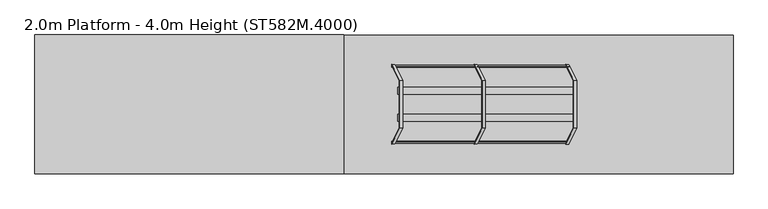
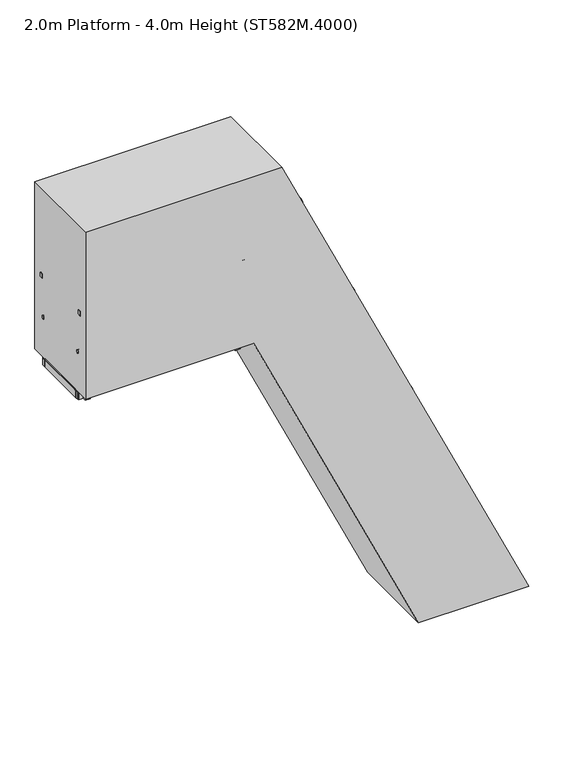
"""IFC4 building model written with IfcOpenShell, lengths in millimetres: proxy geometry, 2.0m Platform - 4.0m Height (ST582M.4000)."""

from ifc_helpers import new_model, si_unit, point, frame, frame_2d, origin, origin_with_axes, place, context, project, spatial, polyline, circle_curve, ellipse_curve, trimmed, segment, composite_curve, outline, extrude, source, transform, mapped, element, save
from ifc_brep_helpers import plane_surface, cylinder_surface, advanced_brep


def proxy_2_0m_platform_4_0m_height_st582m_4000_5fc20dcd(model_context):
    return source(origin(), model_context, "Body", "SolidModel", [
        extrude(outline(polyline([(3750.0, -287.4257396), (3670.0, -250.121132), (3670.0, -139.783335), (3750.0, -177.0879476), (3750.0, -287.4257396)])), frame((0.0, 298.5, 0.0), z_axis=(0.0, 1.0, 0.0), x_axis=(0.0, 0.0, 1.0)), (0.0, 0.0, 1.0), 6.0),
        extrude(outline(polyline([(3750.0, -287.4257396), (3670.0, -250.121132), (3670.0, -139.783335), (3750.0, -177.0879476), (3750.0, -287.4257396)])), frame((0.0, -304.5, 0.0), z_axis=(0.0, 1.0, 0.0), x_axis=(0.0, 0.0, 1.0)), (0.0, 0.0, 1.0), 6.0),
        extrude(outline(polyline([(3750.0, -280.2537833), (3712.0999991, -262.5807251), (3712.0999991, -260.3739693), (3747.0, -276.6481048), (3747.0, -177.8957805), (3712.0999991, -161.6216428), (3712.0999991, -159.414887), (3750.0, -177.0879476), (3750.0, -197.5156888), (3749.2749538, -197.8537833), (3750.0, -198.1918779), (3750.0, -218.1156888), (3749.2749538, -218.4537833), (3750.0, -218.7918779), (3750.0, -238.7156888), (3749.2749538, -239.0537833), (3750.0, -239.3918779), (3750.0, -259.3156888), (3749.2749538, -259.6537833), (3750.0, -259.9918779), (3750.0, -280.2537833)])), frame((0.0, -298.5, 0.0), z_axis=(0.0, 1.0, 0.0), x_axis=(0.0, 0.0, 1.0)), (0.0, 0.0, 1.0), 597.0),
        extrude(outline(polyline([(3500.0, -170.8466911), (3420.0, -133.5420835), (3420.0, -23.2042864), (3500.0, -60.5088991), (3500.0, -170.8466911)])), frame((0.0, 298.5, 0.0), z_axis=(0.0, 1.0, 0.0), x_axis=(0.0, 0.0, 1.0)), (0.0, 0.0, 1.0), 6.0),
        extrude(outline(polyline([(3500.0, -170.8466911), (3420.0, -133.5420835), (3420.0, -23.2042864), (3500.0, -60.5088991), (3500.0, -170.8466911)])), frame((0.0, -304.5, 0.0), z_axis=(0.0, 1.0, 0.0), x_axis=(0.0, 0.0, 1.0)), (0.0, 0.0, 1.0), 6.0),
        extrude(outline(polyline([(3500.0, -163.6747348), (3462.0999991, -146.0016765), (3462.0999991, -143.7949207), (3497.0, -160.0690562), (3497.0, -61.3167319), (3462.0999991, -45.0425943), (3462.0999991, -42.8358384), (3500.0, -60.5088991), (3500.0, -80.9366402), (3499.2749538, -81.2747348), (3500.0, -81.6128293), (3500.0, -101.5366402), (3499.2749538, -101.8747348), (3500.0, -102.2128293), (3500.0, -122.1366402), (3499.2749538, -122.4747348), (3500.0, -122.8128293), (3500.0, -142.7366402), (3499.2749538, -143.0747348), (3500.0, -143.4128293), (3500.0, -163.6747348)])), frame((0.0, -298.5, 0.0), z_axis=(0.0, 1.0, 0.0), x_axis=(0.0, 0.0, 1.0)), (0.0, 0.0, 1.0), 597.0),
        extrude(outline(polyline([(3250.0, -54.2676425), (3170.0, -16.9630349), (3170.0, 93.3747622), (3250.0, 56.0701495), (3250.0, -54.2676425)])), frame((0.0, 298.5, 0.0), z_axis=(0.0, 1.0, 0.0), x_axis=(0.0, 0.0, 1.0)), (0.0, 0.0, 1.0), 6.0),
        extrude(outline(polyline([(3250.0, -54.2676425), (3170.0, -16.9630349), (3170.0, 93.3747622), (3250.0, 56.0701495), (3250.0, -54.2676425)])), frame((0.0, -304.5, 0.0), z_axis=(0.0, 1.0, 0.0), x_axis=(0.0, 0.0, 1.0)), (0.0, 0.0, 1.0), 6.0),
        extrude(outline(polyline([(3250.0, -47.0956862), (3212.0999991, -29.422628), (3212.0999991, -27.2158722), (3247.0, -43.4900077), (3247.0, 55.2623166), (3212.0999991, 71.5364543), (3212.0999991, 73.7432101), (3250.0, 56.0701495), (3250.0, 35.6424083), (3249.2749538, 35.3043138), (3250.0, 34.9662192), (3250.0, 15.0424083), (3249.2749538, 14.7043138), (3250.0, 14.3662192), (3250.0, -5.5575917), (3249.2749538, -5.8956862), (3250.0, -6.2337808), (3250.0, -26.1575917), (3249.2749538, -26.4956862), (3250.0, -26.8337808), (3250.0, -47.0956862)])), frame((0.0, -298.5, 0.0), z_axis=(0.0, 1.0, 0.0), x_axis=(0.0, 0.0, 1.0)), (0.0, 0.0, 1.0), 597.0),
        extrude(outline(polyline([(3000.0, 62.311406), (2920.0, 99.6160136), (2920.0, 209.9538107), (3000.0, 172.6491981), (3000.0, 62.311406)])), frame((0.0, 298.5, 0.0), z_axis=(0.0, 1.0, 0.0), x_axis=(0.0, 0.0, 1.0)), (0.0, 0.0, 1.0), 6.0),
        extrude(outline(polyline([(3000.0, 62.311406), (2920.0, 99.6160136), (2920.0, 209.9538107), (3000.0, 172.6491981), (3000.0, 62.311406)])), frame((0.0, -304.5, 0.0), z_axis=(0.0, 1.0, 0.0), x_axis=(0.0, 0.0, 1.0)), (0.0, 0.0, 1.0), 6.0),
        extrude(outline(polyline([(3000.0, 69.4833623), (2962.0999991, 87.1564206), (2962.0999991, 89.3631764), (2997.0, 73.0890409), (2997.0, 171.8413652), (2962.0999991, 188.1155029), (2962.0999991, 190.3222587), (3000.0, 172.6491981), (3000.0, 152.2214569), (2999.2749538, 151.8833623), (3000.0, 151.5452678), (3000.0, 131.6214569), (2999.2749538, 131.2833623), (3000.0, 130.9452678), (3000.0, 111.0214569), (2999.2749538, 110.6833623), (3000.0, 110.3452678), (3000.0, 90.4214569), (2999.2749538, 90.0833623), (3000.0, 89.7452678), (3000.0, 69.4833623)])), frame((0.0, -298.5, 0.0), z_axis=(0.0, 1.0, 0.0), x_axis=(0.0, 0.0, 1.0)), (0.0, 0.0, 1.0), 597.0),
        extrude(outline(polyline([(2750.0, 178.8904546), (2670.0, 216.1950622), (2670.0, 326.5328593), (2750.0, 289.2282466), (2750.0, 178.8904546)])), frame((0.0, 298.5, 0.0), z_axis=(0.0, 1.0, 0.0), x_axis=(0.0, 0.0, 1.0)), (0.0, 0.0, 1.0), 6.0),
        extrude(outline(polyline([(2750.0, 178.8904546), (2670.0, 216.1950622), (2670.0, 326.5328593), (2750.0, 289.2282466), (2750.0, 178.8904546)])), frame((0.0, -304.5, 0.0), z_axis=(0.0, 1.0, 0.0), x_axis=(0.0, 0.0, 1.0)), (0.0, 0.0, 1.0), 6.0),
        extrude(outline(polyline([(2750.0, 186.0624109), (2712.0999991, 203.7354691), (2712.0999991, 205.9422249), (2747.0, 189.6680895), (2747.0, 288.4204137), (2712.0999991, 304.6945514), (2712.0999991, 306.9013072), (2750.0, 289.2282466), (2750.0, 268.8005055), (2749.2749538, 268.4624109), (2750.0, 268.1243163), (2750.0, 248.2005055), (2749.2749538, 247.8624109), (2750.0, 247.5243163), (2750.0, 227.6005055), (2749.2749538, 227.2624109), (2750.0, 226.9243163), (2750.0, 207.0005055), (2749.2749538, 206.6624109), (2750.0, 206.3243163), (2750.0, 186.0624109)])), frame((0.0, -298.5, 0.0), z_axis=(0.0, 1.0, 0.0), x_axis=(0.0, 0.0, 1.0)), (0.0, 0.0, 1.0), 597.0),
        extrude(outline(polyline([(2500.0, 295.4695031), (2420.0, 332.7741107), (2420.0, 443.1119078), (2500.0, 405.8072952), (2500.0, 295.4695031)])), frame((0.0, 298.5, 0.0), z_axis=(0.0, 1.0, 0.0), x_axis=(0.0, 0.0, 1.0)), (0.0, 0.0, 1.0), 6.0),
        extrude(outline(polyline([(2500.0, 295.4695031), (2420.0, 332.7741107), (2420.0, 443.1119078), (2500.0, 405.8072952), (2500.0, 295.4695031)])), frame((0.0, -304.5, 0.0), z_axis=(0.0, 1.0, 0.0), x_axis=(0.0, 0.0, 1.0)), (0.0, 0.0, 1.0), 6.0),
        extrude(outline(polyline([(2500.0, 302.6414594), (2462.0999991, 320.3145177), (2462.0999991, 322.5212735), (2497.0, 306.247138), (2497.0, 404.9994623), (2462.0999991, 421.2736), (2462.0999991, 423.4803558), (2500.0, 405.8072952), (2500.0, 385.379554), (2499.2749538, 385.0414594), (2500.0, 384.7033649), (2500.0, 364.779554), (2499.2749538, 364.4414594), (2500.0, 364.1033649), (2500.0, 344.179554), (2499.2749538, 343.8414594), (2500.0, 343.5033649), (2500.0, 323.579554), (2499.2749538, 323.2414594), (2500.0, 322.9033649), (2500.0, 302.6414594)])), frame((0.0, -298.5, 0.0), z_axis=(0.0, 1.0, 0.0), x_axis=(0.0, 0.0, 1.0)), (0.0, 0.0, 1.0), 597.0),
        extrude(outline(polyline([(2250.0, 412.0485517), (2170.0, 449.3531593), (2170.0, 559.6909564), (2250.0, 522.3863437), (2250.0, 412.0485517)])), frame((0.0, 298.5, 0.0), z_axis=(0.0, 1.0, 0.0), x_axis=(0.0, 0.0, 1.0)), (0.0, 0.0, 1.0), 6.0),
        extrude(outline(polyline([(2250.0, 412.0485517), (2170.0, 449.3531593), (2170.0, 559.6909564), (2250.0, 522.3863437), (2250.0, 412.0485517)])), frame((0.0, -304.5, 0.0), z_axis=(0.0, 1.0, 0.0), x_axis=(0.0, 0.0, 1.0)), (0.0, 0.0, 1.0), 6.0),
        extrude(outline(polyline([(2250.0, 419.220508), (2212.0999991, 436.8935662), (2212.0999991, 439.100322), (2247.0, 422.8261866), (2247.0, 521.5785109), (2212.0999991, 537.8526485), (2212.0999991, 540.0594044), (2250.0, 522.3863437), (2250.0, 501.9586026), (2249.2749538, 501.620508), (2250.0, 501.2824134), (2250.0, 481.3586026), (2249.2749538, 481.020508), (2250.0, 480.6824134), (2250.0, 460.7586026), (2249.2749538, 460.420508), (2250.0, 460.0824134), (2250.0, 440.1586026), (2249.2749538, 439.820508), (2250.0, 439.4824134), (2250.0, 419.220508)])), frame((0.0, -298.5, 0.0), z_axis=(0.0, 1.0, 0.0), x_axis=(0.0, 0.0, 1.0)), (0.0, 0.0, 1.0), 597.0),
        extrude(outline(polyline([(2000.0, 528.6276002), (1920.0, 565.9322078), (1920.0, 676.2700049), (2000.0, 638.9653923), (2000.0, 528.6276002)])), frame((0.0, 298.5, 0.0), z_axis=(0.0, 1.0, 0.0), x_axis=(0.0, 0.0, 1.0)), (0.0, 0.0, 1.0), 6.0),
        extrude(outline(polyline([(2000.0, 528.6276002), (1920.0, 565.9322078), (1920.0, 676.2700049), (2000.0, 638.9653923), (2000.0, 528.6276002)])), frame((0.0, -304.5, 0.0), z_axis=(0.0, 1.0, 0.0), x_axis=(0.0, 0.0, 1.0)), (0.0, 0.0, 1.0), 6.0),
        extrude(outline(polyline([(2000.0, 535.7995565), (1962.0999991, 553.4726148), (1962.0999991, 555.6793706), (1997.0, 539.4052351), (1997.0, 638.1575594), (1962.0999991, 654.4316971), (1962.0999991, 656.6384529), (2000.0, 638.9653923), (2000.0, 618.5376511), (1999.2749538, 618.1995565), (2000.0, 617.861462), (2000.0, 597.9376511), (1999.2749538, 597.5995565), (2000.0, 597.261462), (2000.0, 577.3376511), (1999.2749538, 576.9995565), (2000.0, 576.661462), (2000.0, 556.7376511), (1999.2749538, 556.3995565), (2000.0, 556.061462), (2000.0, 535.7995565)])), frame((0.0, -298.5, 0.0), z_axis=(0.0, 1.0, 0.0), x_axis=(0.0, 0.0, 1.0)), (0.0, 0.0, 1.0), 597.0),
        extrude(outline(polyline([(1750.0, 645.2066488), (1670.0, 682.5112564), (1670.0, 792.8490535), (1750.0, 755.5444408), (1750.0, 645.2066488)])), frame((0.0, 298.5, 0.0), z_axis=(0.0, 1.0, 0.0), x_axis=(0.0, 0.0, 1.0)), (0.0, 0.0, 1.0), 6.0),
        extrude(outline(polyline([(1750.0, 645.2066488), (1670.0, 682.5112564), (1670.0, 792.8490535), (1750.0, 755.5444408), (1750.0, 645.2066488)])), frame((0.0, -304.5, 0.0), z_axis=(0.0, 1.0, 0.0), x_axis=(0.0, 0.0, 1.0)), (0.0, 0.0, 1.0), 6.0),
        extrude(outline(polyline([(1750.0, 652.3786051), (1712.0999991, 670.0516633), (1712.0999991, 672.2584191), (1747.0, 655.9842837), (1747.0, 754.736608), (1712.0999991, 771.0107456), (1712.0999991, 773.2175015), (1750.0, 755.5444408), (1750.0, 735.1166997), (1749.2749538, 734.7786051), (1750.0, 734.4405105), (1750.0, 714.5166997), (1749.2749538, 714.1786051), (1750.0, 713.8405105), (1750.0, 693.9166997), (1749.2749538, 693.5786051), (1750.0, 693.2405105), (1750.0, 673.3166997), (1749.2749538, 672.9786051), (1750.0, 672.6405105), (1750.0, 652.3786051)])), frame((0.0, -298.5, 0.0), z_axis=(0.0, 1.0, 0.0), x_axis=(0.0, 0.0, 1.0)), (0.0, 0.0, 1.0), 597.0),
        extrude(outline(polyline([(1500.0, 761.7856974), (1420.0, 799.090305), (1420.0, 909.428102), (1500.0, 872.1234894), (1500.0, 761.7856974)])), frame((0.0, 298.5, 0.0), z_axis=(0.0, 1.0, 0.0), x_axis=(0.0, 0.0, 1.0)), (0.0, 0.0, 1.0), 6.0),
        extrude(outline(polyline([(1500.0, 761.7856974), (1420.0, 799.090305), (1420.0, 909.428102), (1500.0, 872.1234894), (1500.0, 761.7856974)])), frame((0.0, -304.5, 0.0), z_axis=(0.0, 1.0, 0.0), x_axis=(0.0, 0.0, 1.0)), (0.0, 0.0, 1.0), 6.0),
        extrude(outline(polyline([(1500.0, 768.9576537), (1462.0999991, 786.6307119), (1462.0999991, 788.8374677), (1497.0, 772.5633322), (1497.0, 871.3156565), (1462.0999991, 887.5897942), (1462.0999991, 889.79655), (1500.0, 872.1234894), (1500.0, 851.6957482), (1499.2749538, 851.3576537), (1500.0, 851.0195591), (1500.0, 831.0957482), (1499.2749538, 830.7576537), (1500.0, 830.4195591), (1500.0, 810.4957482), (1499.2749538, 810.1576537), (1500.0, 809.8195591), (1500.0, 789.8957482), (1499.2749538, 789.5576537), (1500.0, 789.2195591), (1500.0, 768.9576537)])), frame((0.0, -298.5, 0.0), z_axis=(0.0, 1.0, 0.0), x_axis=(0.0, 0.0, 1.0)), (0.0, 0.0, 1.0), 597.0),
        extrude(outline(polyline([(1250.0, 878.3647459), (1170.0, 915.6693535), (1170.0, 1026.0071506), (1250.0, 988.7025379), (1250.0, 878.3647459)])), frame((0.0, 298.5, 0.0), z_axis=(0.0, 1.0, 0.0), x_axis=(0.0, 0.0, 1.0)), (0.0, 0.0, 1.0), 6.0),
        extrude(outline(polyline([(1250.0, 878.3647459), (1170.0, 915.6693535), (1170.0, 1026.0071506), (1250.0, 988.7025379), (1250.0, 878.3647459)])), frame((0.0, -304.5, 0.0), z_axis=(0.0, 1.0, 0.0), x_axis=(0.0, 0.0, 1.0)), (0.0, 0.0, 1.0), 6.0),
        extrude(outline(polyline([(1250.0, 885.5367022), (1212.0999991, 903.2097605), (1212.0999991, 905.4165162), (1247.0, 889.1423808), (1247.0, 987.8947051), (1212.0999991, 1004.1688427), (1212.0999991, 1006.3755986), (1250.0, 988.7025379), (1250.0, 968.2747968), (1249.2749538, 967.9367022), (1250.0, 967.5986076), (1250.0, 947.6747968), (1249.2749538, 947.3367022), (1250.0, 946.9986076), (1250.0, 927.0747968), (1249.2749538, 926.7367022), (1250.0, 926.3986076), (1250.0, 906.4747968), (1249.2749538, 906.1367022), (1250.0, 905.7986076), (1250.0, 885.5367022)])), frame((0.0, -298.5, 0.0), z_axis=(0.0, 1.0, 0.0), x_axis=(0.0, 0.0, 1.0)), (0.0, 0.0, 1.0), 597.0),
        extrude(outline(polyline([(1000.0, 994.9437945), (920.0, 1032.2484021), (920.0, 1142.5861991), (1000.0, 1105.2815865), (1000.0, 994.9437945)])), frame((0.0, 298.5, 0.0), z_axis=(0.0, 1.0, 0.0), x_axis=(0.0, 0.0, 1.0)), (0.0, 0.0, 1.0), 6.0),
        extrude(outline(polyline([(1000.0, 994.9437945), (920.0, 1032.2484021), (920.0, 1142.5861991), (1000.0, 1105.2815865), (1000.0, 994.9437945)])), frame((0.0, -304.5, 0.0), z_axis=(0.0, 1.0, 0.0), x_axis=(0.0, 0.0, 1.0)), (0.0, 0.0, 1.0), 6.0),
        extrude(outline(polyline([(1000.0, 1002.1157508), (962.0999991, 1019.788809), (962.0999991, 1021.9955648), (997.0, 1005.7214293), (997.0, 1104.4737536), (962.0999991, 1120.7478913), (962.0999991, 1122.9546471), (1000.0, 1105.2815865), (1000.0, 1084.8538453), (999.2749538, 1084.5157508), (1000.0, 1084.1776562), (1000.0, 1064.2538453), (999.2749538, 1063.9157508), (1000.0, 1063.5776562), (1000.0, 1043.6538453), (999.2749538, 1043.3157508), (1000.0, 1042.9776562), (1000.0, 1023.0538453), (999.2749538, 1022.7157508), (1000.0, 1022.3776562), (1000.0, 1002.1157508)])), frame((0.0, -298.5, 0.0), z_axis=(0.0, 1.0, 0.0), x_axis=(0.0, 0.0, 1.0)), (0.0, 0.0, 1.0), 597.0),
        extrude(outline(polyline([(750.0, 1111.522843), (670.0, 1148.8274506), (670.0, 1259.1652477), (750.0, 1221.860635), (750.0, 1111.522843)])), frame((0.0, 298.5, 0.0), z_axis=(0.0, 1.0, 0.0), x_axis=(0.0, 0.0, 1.0)), (0.0, 0.0, 1.0), 6.0),
        extrude(outline(polyline([(750.0, 1111.522843), (670.0, 1148.8274506), (670.0, 1259.1652477), (750.0, 1221.860635), (750.0, 1111.522843)])), frame((0.0, -304.5, 0.0), z_axis=(0.0, 1.0, 0.0), x_axis=(0.0, 0.0, 1.0)), (0.0, 0.0, 1.0), 6.0),
        extrude(outline(polyline([(750.0, 1118.6947993), (712.0999991, 1136.3678576), (712.0999991, 1138.5746133), (747.0, 1122.3004779), (747.0, 1221.0528022), (712.0999991, 1237.3269398), (712.0999991, 1239.5336957), (750.0, 1221.860635), (750.0, 1201.4328939), (749.2749538, 1201.0947993), (750.0, 1200.7567047), (750.0, 1180.8328939), (749.2749538, 1180.4947993), (750.0, 1180.1567047), (750.0, 1160.2328939), (749.2749538, 1159.8947993), (750.0, 1159.5567047), (750.0, 1139.6328939), (749.2749538, 1139.2947993), (750.0, 1138.9567047), (750.0, 1118.6947993)])), frame((0.0, -298.5, 0.0), z_axis=(0.0, 1.0, 0.0), x_axis=(0.0, 0.0, 1.0)), (0.0, 0.0, 1.0), 597.0),
        extrude(outline(polyline([(500.0, 1228.1018916), (420.0, 1265.4064992), (420.0, 1375.7442962), (500.0, 1338.4396836), (500.0, 1228.1018916)])), frame((0.0, 298.5, 0.0), z_axis=(0.0, 1.0, 0.0), x_axis=(0.0, 0.0, 1.0)), (0.0, 0.0, 1.0), 6.0),
        extrude(outline(polyline([(500.0, 1228.1018916), (420.0, 1265.4064992), (420.0, 1375.7442962), (500.0, 1338.4396836), (500.0, 1228.1018916)])), frame((0.0, -304.5, 0.0), z_axis=(0.0, 1.0, 0.0), x_axis=(0.0, 0.0, 1.0)), (0.0, 0.0, 1.0), 6.0),
        extrude(outline(polyline([(500.0, 1235.2738479), (462.0999991, 1252.9469061), (462.0999991, 1255.1536619), (497.0, 1238.8795264), (497.0, 1337.6318507), (462.0999991, 1353.9059884), (462.0999991, 1356.1127442), (500.0, 1338.4396836), (500.0, 1318.0119424), (499.2749538, 1317.6738479), (500.0, 1317.3357533), (500.0, 1297.4119424), (499.2749538, 1297.0738479), (500.0, 1296.7357533), (500.0, 1276.8119424), (499.2749538, 1276.4738479), (500.0, 1276.1357533), (500.0, 1256.2119424), (499.2749538, 1255.8738479), (500.0, 1255.5357533), (500.0, 1235.2738479)])), frame((0.0, -298.5, 0.0), z_axis=(0.0, 1.0, 0.0), x_axis=(0.0, 0.0, 1.0)), (0.0, 0.0, 1.0), 597.0),
        extrude(outline(polyline([(0.0, -6.0), (0.0, 0.0), (50.0, 0.0), (50.0, -6.0), (0.0, -6.0)])), frame((535.2019478, 296.0, 1938.5825879), z_axis=(-6.583104958601815e-06, 0.0, 0.9999999999783316), x_axis=(0.0, -1.0, 0.0)), (0.0, 0.0, 1.0), 120.0),
        extrude(outline(polyline([(2000.5832794, 640.2473839), (2058.5831013, 613.2011579), (2058.5825879, 535.2011579), (2000.5825879, 535.2015397), (2000.5832794, 640.2473839)])), frame((0.0, 252.0, 0.0), z_axis=(0.0, 1.0, 0.0), x_axis=(0.0, 0.0, 1.0)), (0.0, 0.0, 1.0), 38.0),
        extrude(outline(polyline([(0.0, -6.0), (0.0, 0.0), (50.0, 0.0), (50.0, -6.0), (0.0, -6.0)])), frame((529.2019478, -296.0, 1938.5825484), z_axis=(-6.583104956214836e-06, 0.0, 0.9999999999783314), x_axis=(0.0, 1.0, 0.0)), (0.0, 0.0, 1.0), 120.0),
        extrude(outline(polyline([(2000.5832794, 640.2473839), (2058.5831013, 613.2011579), (2058.5825879, 535.2011579), (2000.5825879, 535.2015397), (2000.5832794, 640.2473839)])), frame((0.0, -290.0, 0.0), z_axis=(0.0, 1.0, 0.0), x_axis=(0.0, 0.0, 1.0)), (0.0, 0.0, 1.0), 38.0),
        extrude(outline(polyline([(0.0, -590.0), (0.0, 0.0), (2.0, 0.0), (2.0, -590.0), (0.0, -590.0)])), frame((1594.0185078, -295.0, 49.8963846), z_axis=(-0.4226242280508215, 0.0, 0.9063050048766405), x_axis=(-0.9063050048766405, 0.0, -0.4226242280508215)), (0.0, 0.0, 1.0), 2240.0),
        extrude(outline(polyline([(2250.0, 0.0), (2250.0, -600.0), (0.0, -600.0), (0.0, 0.0), (2250.0, 0.0)]), holes=[polyline([(1096.0, -58.0), (58.0, -58.0), (58.0, -542.0), (1096.0, -542.0), (1096.0, -58.0)]), polyline([(1154.0, -542.0), (2192.0, -542.0), (2192.0, -58.0), (1154.0, -58.0), (1154.0, -542.0)])]), frame((608.9749156, 300.0, 2067.6461514), z_axis=(0.9063050048766405, 0.0, 0.4226242280508215), x_axis=(0.4226242280508215, 0.0, -0.9063050048766405)), (0.0, 0.0, 1.0), 38.0),
        extrude(outline(polyline([(0.0, 0.0), (80.0, 0.0), (80.0, -6.0), (6.0, -6.0), (6.0, -50.0), (0.0, -50.0), (0.0, 0.0)])), frame((1492.2595522, 343.0, 173.4686912), z_axis=(-0.4226242280508215, 0.0, 0.9063050048766405), x_axis=(-0.9063050048766405, 0.0, -0.4226242280508215)), (0.0, 0.0, 1.0), 50.0),
        extrude(outline(polyline([(0.0, 686.0), (0.0, 736.0), (6.0, 736.0), (6.0, 692.0), (80.0, 692.0), (80.0, 686.0), (0.0, 686.0)])), frame((1492.2595522, 343.0, 173.4686912), z_axis=(-0.4226242280508215, 0.0, 0.9063050048766405), x_axis=(-0.9063050048766405, 0.0, -0.4226242280508215)), (0.0, 0.0, 1.0), 50.0),
        extrude(outline(polyline([(-100.0, 0.0), (0.0, 0.0), (0.0, -50.0), (-6.0, -50.0), (-6.0, -6.0000001), (-100.0, -6.0000001), (-100.0, 0.0)])), frame((1492.2595522, -300.0, 173.4686912), z_axis=(-0.4226242280508215, 0.0, 0.9063050048766405), x_axis=(0.0, 1.0, 0.0)), (0.0, 0.0, 1.0), 50.0),
        extrude(outline(polyline([(700.0, 0.0), (700.0, -6.0000001), (606.0, -6.0000001), (606.0, -50.0), (600.0, -50.0), (600.0, 0.0), (700.0, 0.0)])), frame((1492.2595522, -300.0, 173.4686912), z_axis=(-0.4226242280508215, 0.0, 0.9063050048766405), x_axis=(0.0, 1.0, 0.0)), (0.0, 0.0, 1.0), 50.0),
        extrude(outline(polyline([(1117.9768328, 1095.955855), (1132.3718132, 1142.2055527), (1038.1160927, 1186.1584724), (1011.9391472, 1145.4028897), (989.2815221, 1155.9684954), (993.5077644, 1165.0315454), (1008.0086445, 1158.2695578), (1034.18559, 1199.0251405), (1144.7548006, 1147.4649847), (1130.3598201, 1101.215287), (1144.8607002, 1094.4532994), (1140.6344579, 1085.3902493), (1117.9768328, 1095.955855)])), frame((0.0, 201.0, 0.0), z_axis=(0.0, 1.0, 0.0), x_axis=(0.0, 0.0, 1.0)), (0.0, 0.0, 1.0), 44.0),
        extrude(outline(polyline([(1117.9768328, 1095.955855), (1132.3718132, 1142.2055527), (1038.1160927, 1186.1584724), (1011.9391472, 1145.4028897), (989.2815221, 1155.9684954), (993.5077644, 1165.0315454), (1008.0086445, 1158.2695578), (1034.18559, 1199.0251405), (1144.7548006, 1147.4649847), (1130.3598201, 1101.215287), (1144.8607002, 1094.4532994), (1140.6344579, 1085.3902493), (1117.9768328, 1095.955855)])), frame((0.0, -245.0, 0.0), z_axis=(0.0, 1.0, 0.0), x_axis=(0.0, 0.0, 1.0)), (0.0, 0.0, 1.0), 44.0),
        extrude(outline(polyline([(-573.915974, 0.0), (0.0, 0.0), (168.0, -100.0), (268.0, -275.0), (268.0, -621.0), (168.0, -796.0), (0.0, -896.0), (-573.915974, -896.0), (-626.9765801, -845.0), (-710.8030303, -845.0), (-710.8030303, -839.0), (-624.560606, -839.0), (-571.5, -890.0), (-1.5933867, -890.0), (163.6024049, -791.6024049), (262.0, -619.4066134), (262.0, -276.5933866), (163.6024049, -104.3975951), (-1.5933867, -6.0), (-571.5, -6.0), (-624.560606, -57.0), (-710.8030303, -57.0), (-710.8030303, -51.0), (-626.9765801, -51.0), (-573.915974, 0.0)])), frame((4.120262, 448.0, 5128.9323502), z_axis=(-0.4226242280508215, 0.0, 0.9063050048766405), x_axis=(0.9063050048766405, 0.0, 0.4226242280508215)), (0.0, 0.0, 1.0), 50.0),
        extrude(outline(polyline([(-6.0, 0.0), (0.0, 0.0), (0.0, -77.5840259), (99.0, -180.5840259), (99.0, -827.0), (-1.0, -994.9999999), (-176.0, -1095.0), (-522.0, -1095.0), (-697.0, -994.9999999), (-797.0, -827.0), (-797.0, -180.5840259), (-698.0, -77.5840259), (-698.0, 0.0), (-692.0, 0.0), (-692.0, -80.0), (-791.0, -183.0), (-791.0, -825.4066133), (-692.6024049, -990.6024049), (-520.4066134, -1089.0), (-177.5933866, -1089.0), (-5.3975951, -990.6024049), (93.0, -825.4066133), (93.0, -183.0), (-6.0, -80.0), (-6.0, 0.0)])), frame((504.0599175, 349.0, 2100.005642), z_axis=(-0.4226242280508215, 0.0, 0.9063050048766405), x_axis=(0.0, 1.0, 0.0)), (0.0, 0.0, 1.0), 50.0),
        extrude(outline(polyline([(0.0, 0.0), (50.0, 0.0), (50.0, -12.0), (0.0, -12.0), (0.0, 0.0)])), frame((920.0539147, 430.0, 2293.9901627), z_axis=(-0.4226242280508215, 0.0, 0.9063050048766405), x_axis=(-0.9063050048766405, 0.0, -0.4226242280508215)), (0.0, 0.0, 1.0), 3006.418046),
        extrude(outline(polyline([(-210.0, 0.0), (-160.0, 0.0), (-160.0, -12.0), (-210.0, -12.0), (-210.0, 0.0)])), frame((920.0539147, 430.0, 2293.9901627), z_axis=(-0.4226242280508215, 0.0, 0.9063050048766405), x_axis=(-0.9063050048766405, 0.0, -0.4226242280508215)), (0.0, 0.0, 1.0), 3006.418046),
        extrude(outline(polyline([(-630.0, 357.5), (-618.0, 357.5), (-618.0, 307.5), (-630.0, 307.5), (-630.0, 357.5)])), frame((920.0539147, 430.0, 2293.9901627), z_axis=(-0.4226242280508215, 0.0, 0.9063050048766405), x_axis=(-0.9063050048766405, 0.0, -0.4226242280508215)), (0.0, 0.0, 1.0), 3006.418046),
        extrude(outline(polyline([(-630.0, 552.5), (-618.0, 552.5), (-618.0, 502.5), (-630.0, 502.5), (-630.0, 552.5)])), frame((920.0539147, 430.0, 2293.9901627), z_axis=(-0.4226242280508215, 0.0, 0.9063050048766405), x_axis=(-0.9063050048766405, 0.0, -0.4226242280508215)), (0.0, 0.0, 1.0), 3006.418046),
        extrude(outline(polyline([(-210.0, 872.0), (-160.0, 872.0), (-160.0, 860.0), (-210.0, 860.0), (-210.0, 872.0)])), frame((920.0539147, 430.0, 2293.9901627), z_axis=(-0.4226242280508215, 0.0, 0.9063050048766405), x_axis=(-0.9063050048766405, 0.0, -0.4226242280508215)), (0.0, 0.0, 1.0), 3006.418046),
        extrude(outline(polyline([(0.0, 872.0), (50.0, 872.0), (50.0, 860.0), (0.0, 860.0), (0.0, 872.0)])), frame((920.0539147, 430.0, 2293.9901627), z_axis=(-0.4226242280508215, 0.0, 0.9063050048766405), x_axis=(-0.9063050048766405, 0.0, -0.4226242280508215)), (0.0, 0.0, 1.0), 3006.418046),
        extrude(outline(polyline([(-416.1782521, 29.5287957), (-373.2212406, 3.9417841), (-379.3621234, -6.3678986), (-422.3191349, 19.2191129), (-416.1782521, 29.5287957)])), frame((920.0539147, 430.0, 2293.9901627), z_axis=(-0.4226242280508215, 0.0, 0.9063050048766405), x_axis=(-0.9063050048766405, 0.0, -0.4226242280508215)), (0.0, 0.0, 1.0), 3006.418046),
        extrude(outline(polyline([(-578.1954412, 161.8104088), (-567.7765236, 167.7640761), (-542.9695766, 124.351919), (-553.3884944, 118.3982517), (-578.1954412, 161.8104088)])), frame((920.0539147, 430.0, 2293.9901627), z_axis=(-0.4226242280508215, 0.0, 0.9063050048766405), x_axis=(-0.9063050048766405, 0.0, -0.4226242280508215)), (0.0, 0.0, 1.0), 3006.418046),
        extrude(outline(polyline([(-416.1782521, 830.4712043), (-422.3191349, 840.7808871), (-379.3621234, 866.3678986), (-373.2212406, 856.0582159), (-416.1782521, 830.4712043)])), frame((920.0539147, 430.0, 2293.9901627), z_axis=(-0.4226242280508215, 0.0, 0.9063050048766405), x_axis=(-0.9063050048766405, 0.0, -0.4226242280508215)), (0.0, 0.0, 1.0), 3006.418046),
        extrude(outline(polyline([(-578.1954412, 698.1895912), (-553.3884944, 741.6017483), (-542.9695766, 735.648081), (-567.7765236, 692.2359239), (-578.1954412, 698.1895912)])), frame((920.0539147, 430.0, 2293.9901627), z_axis=(-0.4226242280508215, 0.0, 0.9063050048766405), x_axis=(-0.9063050048766405, 0.0, -0.4226242280508215)), (0.0, 0.0, 1.0), 3006.418046),
        extrude(outline(polyline([(-6.0, 0.0), (0.0, 0.0), (0.0, -77.5840259), (99.0, -180.5840259), (99.0, -827.0), (-1.0, -994.9999999), (-176.0, -1095.0), (-522.0, -1095.0), (-697.0, -994.9999999), (-797.0, -827.0), (-797.0, -180.5840259), (-698.0, -77.5840259), (-698.0, 0.0), (-692.0, 0.0), (-692.0, -79.9999999), (-791.0, -182.9999999), (-791.0, -825.4066133), (-692.6024049, -990.6024048), (-520.4066134, -1089.0), (-177.5933866, -1089.0), (-5.3975951, -990.6024048), (93.0, -825.4066133), (93.0, -182.9999999), (-6.0, -79.9999999), (-6.0, 0.0)])), frame((-153.7200577, 349.0, 3510.5951068), z_axis=(-0.4226242280508215, 0.0, 0.9063050048766405), x_axis=(0.0, 1.0, 0.0)), (0.0, 0.0, 1.0), 50.0),
        extrude(outline(polyline([(-0.0541093, 0.0), (0.7582532, 5.9447512), (185.4590013, 5.9447512), (254.8144324, -3.5328109), (254.0020699, -9.4775622), (184.6466388, 0.0), (-0.0541093, 0.0)])), frame((1262.6710983, 375.0, 1079.9819605), z_axis=(-0.42262422805082145, 0.0, 0.9063050048766405), x_axis=(-0.8979596324289324, -0.1353937453578063, -0.41873265008365657)), (0.0, 0.0, 1.0), 80.0),
        extrude(outline(polyline([(-0.0541093, 0.0), (0.7582532, 5.9447512), (185.4590013, 5.9447512), (254.8144324, -3.5328109), (254.0020699, -9.4775622), (184.6466388, 0.0), (-0.0541093, 0.0)])), frame((615.7436285, 375.0, 2467.2985523), z_axis=(-0.42262422805082145, 0.0, 0.9063050048766405), x_axis=(-0.8979596324289324, -0.1353937453578063, -0.41873265008365657)), (0.0, 0.0, 1.0), 80.0),
        extrude(outline(polyline([(-0.0541092, 0.0), (0.7582532, 5.9447512), (185.4590013, 5.9447512), (254.8144324, -3.5328109), (254.0020699, -9.4775622), (184.6466388, 0.0), (-0.0541092, 0.0)])), frame((-31.1838413, 375.0, 3854.6151441), z_axis=(-0.42262422805082145, 0.0, 0.9063050048766405), x_axis=(-0.8979596324289324, -0.1353937453578063, -0.41873265008365657)), (0.0, 0.0, 1.0), 80.0),
        extrude(outline(polyline([(0.0, 32.0), (3.0, 32.0), (3.0, 0.0), (0.0, 0.0), (0.0, 32.0)])), frame((631.1898583, 388.0, 2441.3999321), z_axis=(-0.4226242280508215, 0.0, 0.9063050048766405), x_axis=(-0.9063050048766405, 0.0, -0.4226242280508215)), (0.0, 0.0, 1.0), 140.0),
        extrude(outline(polyline([(0.0, 32.0), (3.0, 32.0), (3.0, 0.0), (0.0, 0.0), (0.0, 32.0)])), frame((1278.1173281, 388.0, 1054.0833403), z_axis=(-0.4226242280508215, 0.0, 0.9063050048766405), x_axis=(-0.9063050048766405, 0.0, -0.4226242280508215)), (0.0, 0.0, 1.0), 140.0),
        extrude(outline(polyline([(0.0, 32.0), (3.0, 32.0), (3.0, 0.0), (0.0, 0.0), (0.0, 32.0)])), frame((-15.7376115, 388.0, 3828.716524), z_axis=(-0.4226242280508215, 0.0, 0.9063050048766405), x_axis=(-0.9063050048766405, 0.0, -0.4226242280508215)), (0.0, 0.0, 1.0), 140.0),
        extrude(outline(composite_curve([segment(trimmed(circle_curve(frame_2d((0.0, 14.189404)), 22.4521533), [point((-17.4, 0.0))], [point((17.4, 0.0))], False, "CARTESIAN"), True, "CONTINUOUS"), segment(polyline([(17.4, 0.0), (-17.4, 0.0)]), True, "CONTINUOUS")], self_intersect=False)), frame((1349.9634469, 372.0, 900.0114895), z_axis=(-0.4226242280508215, 0.0, 0.9063050048766405), x_axis=(0.0, -1.0, 0.0)), (0.0, 0.0, 1.0), 4391.4783861),
        extrude(outline(polyline([(-0.0541092, 0.0), (184.6466389, 0.0), (254.0020699, 9.4775622), (254.8144324, 3.5328109), (185.4590014, -5.9447512), (0.7582532, -5.9447512), (-0.0541092, 0.0)])), frame((1262.6708235, -375.0, 1079.9825501), z_axis=(-0.42262422805082145, 0.0, 0.9063050048766405), x_axis=(-0.8979596324289324, 0.1353937453578063, -0.41873265008365657)), (0.0, 0.0, 1.0), 80.0),
        extrude(outline(polyline([(-0.0541092, 0.0), (184.6466389, 0.0), (254.0020699, 9.4775622), (254.8144324, 3.5328109), (185.4590014, -5.9447512), (0.7582532, -5.9447512), (-0.0541092, 0.0)])), frame((615.7433537, -375.0, 2467.2991419), z_axis=(-0.42262422805082145, 0.0, 0.9063050048766405), x_axis=(-0.8979596324289324, 0.1353937453578063, -0.41873265008365657)), (0.0, 0.0, 1.0), 80.0),
        extrude(outline(polyline([(-0.0541092, 0.0), (184.6466389, 0.0), (254.0020699, 9.4775622), (254.8144324, 3.5328109), (185.4590014, -5.9447512), (0.7582532, -5.9447512), (-0.0541092, 0.0)])), frame((-31.1841161, -375.0, 3854.6157337), z_axis=(-0.42262422805082145, 0.0, 0.9063050048766405), x_axis=(-0.8979596324289324, 0.1353937453578063, -0.41873265008365657)), (0.0, 0.0, 1.0), 80.0),
        extrude(outline(polyline([(0.0, -32.0), (0.0, 0.0), (3.0, 0.0), (3.0, -32.0), (0.0, -32.0)])), frame((631.1895835, -388.0, 2441.4005217), z_axis=(-0.4226242280508215, 0.0, 0.9063050048766405), x_axis=(-0.9063050048766405, 0.0, -0.4226242280508215)), (0.0, 0.0, 1.0), 140.0),
        extrude(outline(polyline([(0.0, -32.0), (0.0, 0.0), (3.0, 0.0), (3.0, -32.0), (0.0, -32.0)])), frame((1278.1170533, -388.0, 1054.0839299), z_axis=(-0.4226242280508215, 0.0, 0.9063050048766405), x_axis=(-0.9063050048766405, 0.0, -0.4226242280508215)), (0.0, 0.0, 1.0), 140.0),
        extrude(outline(polyline([(0.0, -32.0), (0.0, 0.0), (3.0, 0.0), (3.0, -32.0), (0.0, -32.0)])), frame((-15.7378863, -388.0, 3828.7171135), z_axis=(-0.4226242280508215, 0.0, 0.9063050048766405), x_axis=(-0.9063050048766405, 0.0, -0.4226242280508215)), (0.0, 0.0, 1.0), 140.0),
        extrude(outline(composite_curve([segment(polyline([(-17.4, 0.0), (17.4, 0.0)]), True, "CONTINUOUS"), segment(trimmed(circle_curve(frame_2d((0.0, -14.1894039)), 22.4521533), [point((17.4, 0.0))], [point((-17.4, 0.0))], False, "CARTESIAN"), True, "CONTINUOUS")], self_intersect=False)), frame((1349.9631721, -372.0, 900.0120791), z_axis=(-0.4226242280508215, 0.0, 0.9063050048766405), x_axis=(0.0, 1.0, 0.0)), (0.0, 0.0, 1.0), 4391.4783861),
        extrude(outline(polyline([(4000.0, -404.0047882), (3920.0, -366.7001806), (3920.0, -256.3623835), (4000.0, -293.6669962), (4000.0, -404.0047882)])), frame((0.0, 298.5, 0.0), z_axis=(0.0, 1.0, 0.0), x_axis=(0.0, 0.0, 1.0)), (0.0, 0.0, 1.0), 6.0),
        extrude(outline(polyline([(4000.0, -404.0047882), (3920.0, -366.7001806), (3920.0, -256.3623835), (4000.0, -293.6669962), (4000.0, -404.0047882)])), frame((0.0, -304.5, 0.0), z_axis=(0.0, 1.0, 0.0), x_axis=(0.0, 0.0, 1.0)), (0.0, 0.0, 1.0), 6.0),
        extrude(outline(polyline([(4000.0, -396.8328319), (3962.0999991, -379.1597736), (3962.0999991, -376.9530179), (3997.0, -393.2271533), (3997.0, -294.474829), (3962.0999991, -278.2006914), (3962.0999991, -275.9939355), (4000.0, -293.6669962), (4000.0, -314.0947373), (3999.2749538, -314.4328319), (4000.0, -314.7709265), (4000.0, -334.6947373), (3999.2749538, -335.0328319), (4000.0, -335.3709265), (4000.0, -355.2947373), (3999.2749538, -355.6328319), (4000.0, -355.9709265), (4000.0, -375.8947373), (3999.2749538, -376.2328319), (4000.0, -376.5709265), (4000.0, -396.8328319)])), frame((0.0, -298.5, 0.0), z_axis=(0.0, 1.0, 0.0), x_axis=(0.0, 0.0, 1.0)), (0.0, 0.0, 1.0), 597.0),
        extrude(outline(polyline([(250.0, 1344.6809401), (170.0, 1381.9855477), (170.0, 1492.3233448), (250.0, 1455.0187321), (250.0, 1344.6809401)])), frame((0.0, 298.5, 0.0), z_axis=(0.0, 1.0, 0.0), x_axis=(0.0, 0.0, 1.0)), (0.0, 0.0, 1.0), 6.0),
        extrude(outline(polyline([(250.0, 1344.6809401), (170.0, 1381.9855477), (170.0, 1492.3233448), (250.0, 1455.0187321), (250.0, 1344.6809401)])), frame((0.0, -304.5, 0.0), z_axis=(0.0, 1.0, 0.0), x_axis=(0.0, 0.0, 1.0)), (0.0, 0.0, 1.0), 6.0),
        extrude(outline(polyline([(250.0, 1351.8528964), (212.0999991, 1369.5259547), (212.0999991, 1371.7327105), (247.0, 1355.458575), (247.0, 1454.2108993), (212.0999991, 1470.4850369), (212.0999991, 1472.6917928), (250.0, 1455.0187321), (250.0, 1434.590991), (249.2749538, 1434.2528964), (250.0, 1433.9148019), (250.0, 1413.990991), (249.2749538, 1413.6528964), (250.0, 1413.3148019), (250.0, 1393.390991), (249.2749538, 1393.0528964), (250.0, 1392.7148019), (250.0, 1372.790991), (249.2749538, 1372.4528964), (250.0, 1372.1148019), (250.0, 1351.8528964)])), frame((0.0, -298.5, 0.0), z_axis=(0.0, 1.0, 0.0), x_axis=(0.0, 0.0, 1.0)), (0.0, 0.0, 1.0), 597.0),
        extrude(outline(polyline([(-396.8328319, -304.5), (-434.8328319, -304.5), (-434.8328319, 304.5), (-396.8328319, 304.5), (-396.8328319, -304.5)])), frame((0.0, 0.0, 3901.0), z_axis=(0.0, 0.0, 1.0), x_axis=(1.0, 0.0, 0.0)), (0.0, 0.0, 1.0), 80.0),
        extrude(outline(polyline([(-1866.8328319, -304.5), (-1904.8328319, -304.5), (-1904.8328319, 304.5), (-1866.8328319, 304.5), (-1866.8328319, -304.5)])), frame((0.0, 0.0, 3923.0), z_axis=(0.0, 0.0, 1.0), x_axis=(1.0, 0.0, 0.0)), (0.0, 0.0, 1.0), 58.0),
        extrude(outline(polyline([(-1376.8328319, -304.5), (-1414.8328319, -304.5), (-1414.8328319, 304.5), (-1376.8328319, 304.5), (-1376.8328319, -304.5)])), frame((0.0, 0.0, 3923.0), z_axis=(0.0, 0.0, 1.0), x_axis=(1.0, 0.0, 0.0)), (0.0, 0.0, 1.0), 58.0),
        extrude(outline(polyline([(-886.8328319, -304.5), (-924.8328319, -304.5), (-924.8328319, 304.5), (-886.8328319, 304.5), (-886.8328319, -304.5)])), frame((0.0, 0.0, 3923.0), z_axis=(0.0, 0.0, 1.0), x_axis=(1.0, 0.0, 0.0)), (0.0, 0.0, 1.0), 58.0),
        extrude(outline(composite_curve([segment(polyline([(353.0, 4478.0), (353.0, 4468.0)]), True, "CONTINUOUS"), segment(trimmed(circle_curve(frame_2d((338.0, 4468.0)), 15.0), [point((353.0, 4468.0))], [point((323.0, 4468.0))], False, "CARTESIAN"), True, "CONTINUOUS"), segment(polyline([(323.0, 4468.0), (323.0, 4478.0)]), True, "CONTINUOUS"), segment(trimmed(circle_curve(frame_2d((338.0, 4478.0)), 15.0), [point((323.0, 4478.0))], [point((353.0, 4478.0))], False, "CARTESIAN"), True, "CONTINUOUS")], self_intersect=False)), frame((-2396.8328319, 0.0, 0.0), z_axis=(1.0, 0.0, 0.0), x_axis=(0.0, 1.0, 0.0)), (0.0, 0.0, 1.0), 1985.0),
        extrude(outline(composite_curve([segment(trimmed(circle_curve(frame_2d((-338.0, 4478.0)), 15.0), [point((-353.0, 4478.0))], [point((-323.0, 4478.0))], False, "CARTESIAN"), True, "CONTINUOUS"), segment(polyline([(-323.0, 4478.0), (-323.0, 4468.0)]), True, "CONTINUOUS"), segment(trimmed(circle_curve(frame_2d((-338.0, 4468.0)), 15.0), [point((-323.0, 4468.0))], [point((-353.0, 4468.0))], False, "CARTESIAN"), True, "CONTINUOUS"), segment(polyline([(-353.0, 4468.0), (-353.0, 4478.0)]), True, "CONTINUOUS")], self_intersect=False)), frame((-2396.8328319, 0.0, 0.0), z_axis=(1.0, 0.0, 0.0), x_axis=(0.0, 1.0, 0.0)), (0.0, 0.0, 1.0), 1985.0),
        extrude(outline(polyline([(-692.8328319, 353.0), (-532.8328319, 353.0), (-532.8328319, 343.0), (-692.8328319, 343.0), (-692.8328319, 353.0)])), frame((0.0, 0.0, 3901.0), z_axis=(0.0, 0.0, 1.0), x_axis=(1.0, 0.0, 0.0)), (0.0, 0.0, 1.0), 80.0),
        extrude(outline(polyline([(-692.8328319, -343.0), (-532.8328319, -343.0), (-532.8328319, -353.0), (-692.8328319, -353.0), (-692.8328319, -343.0)])), frame((0.0, 0.0, 3901.0), z_axis=(0.0, 0.0, 1.0), x_axis=(1.0, 0.0, 0.0)), (0.0, 0.0, 1.0), 80.0),
        extrude(outline(polyline([(-583.8328319, 391.0), (-583.8328319, 353.0), (-641.8328319, 353.0), (-641.8328319, 391.0), (-583.8328319, 391.0)])), frame((0.0, 0.0, 3901.0), z_axis=(0.0, 0.0, 1.0), x_axis=(1.0, 0.0, 0.0)), (0.0, 0.0, 1.0), 1029.0),
        extrude(outline(polyline([(-583.8328319, -353.0), (-583.8328319, -391.0), (-641.8328319, -391.0), (-641.8328319, -353.0), (-583.8328319, -353.0)])), frame((0.0, 0.0, 3901.0), z_axis=(0.0, 0.0, 1.0), x_axis=(1.0, 0.0, 0.0)), (0.0, 0.0, 1.0), 1029.0),
        advanced_brep(
        [(-556.8328319, 372.0, 4942.0), (-556.8328319, 372.0, 4987.0), (-544.1016939, 372.0, 4942.0), (-515.4337404, 372.0, 4987.0), (-513.5569732, 372.0, 4876.4977609), (-472.773248, 372.0, 4895.5158512)],
        [
            (0, 1, circle_curve(frame((-556.8328319, 372.0, 4964.5), z_axis=(-1.0, 0.0, 0.0), x_axis=(0.0, 0.0, 1.0)), 22.5)),
            (1, 0, circle_curve(frame((-556.8328319, 372.0, 4964.5), z_axis=(-1.0, 0.0, 0.0), x_axis=(0.0, 0.0, 1.0)), 22.5)),
            (0, 2),
            (2, 3, ellipse_curve(frame((-529.7677171, 372.0, 4964.5), z_axis=(-0.8433932143583008, 0.0, 0.5372968322765111), x_axis=(-0.5372968322765109, 0.0, -0.8433932143583008)), 26.6779476, 22.5)),
            (3, 1),
            (3, 2, ellipse_curve(frame((-529.7677171, 372.0, 4964.5), z_axis=(-0.8433932143583008, 0.0, 0.5372968322765111), x_axis=(-0.5372968322765109, 0.0, -0.8433932143583008)), 26.6779476, 22.5)),
            (4, 5, circle_curve(frame((-493.1651106, 372.0, 4886.0068061), z_axis=(0.4226242280512533, 0.0, -0.9063050048764391), x_axis=(0.9063050048764391, 0.0, 0.4226242280512533)), 22.5)),
            (5, 4, circle_curve(frame((-493.1651106, 372.0, 4886.0068061), z_axis=(0.4226242280512533, 0.0, -0.9063050048764391), x_axis=(0.9063050048764391, 0.0, 0.4226242280512533)), 22.5)),
            (2, 4),
            (5, 3),
        ],
        [
            plane_surface(frame((-556.8328319, 0.0, 4987.0), z_axis=(-1.0, 0.0, 0.0), x_axis=(0.0, -1.0, 0.0))),
            cylinder_surface(frame((-556.8328319, 372.0, 4964.5), z_axis=(-1.0, 0.0, 0.0), x_axis=(0.0, 0.0, 1.0)), 22.5),
            plane_surface(frame((-472.773248, 0.0, 4895.5158512), z_axis=(0.4226242280512533, 0.0, -0.9063050048764391), x_axis=(0.0, -1.0, 0.0))),
            cylinder_surface(frame((-535.825603, 372.0, 4977.4909549), z_axis=(-0.4226242280512533, 0.0, 0.9063050048764391), x_axis=(0.9063050048764391, 0.0, 0.4226242280512533)), 22.5),
        ],
        [
            (0, [[1, 2]]),
            (1, [[-1, 3, 4, 5]]),
            (1, [[-2, -5, 6, -3]]),
            (2, [[7, 8]]),
            (3, [[-4, 9, -8, 10]]),
            (3, [[-6, -10, -7, -9]]),
        ],
    ),
        advanced_brep(
        [(-556.8328319, -372.0, 4942.0), (-556.8328319, -372.0, 4987.0), (-544.1016939, -372.0, 4942.0), (-515.4337404, -372.0, 4987.0), (-513.5569732, -372.0, 4876.4977609), (-472.773248, -372.0, 4895.5158512)],
        [
            (0, 1, circle_curve(frame((-556.8328319, -372.0, 4964.5), z_axis=(-1.0, 0.0, 0.0), x_axis=(0.0, 0.0, 1.0)), 22.5)),
            (1, 0, circle_curve(frame((-556.8328319, -372.0, 4964.5), z_axis=(-1.0, 0.0, 0.0), x_axis=(0.0, 0.0, 1.0)), 22.5)),
            (0, 2),
            (2, 3, ellipse_curve(frame((-529.7677171, -372.0, 4964.5), z_axis=(-0.8433932143583008, 0.0, 0.5372968322765111), x_axis=(-0.5372968322765109, 0.0, -0.8433932143583008)), 26.6779476, 22.5)),
            (3, 1),
            (3, 2, ellipse_curve(frame((-529.7677171, -372.0, 4964.5), z_axis=(-0.8433932143583008, 0.0, 0.5372968322765111), x_axis=(-0.5372968322765109, 0.0, -0.8433932143583008)), 26.6779476, 22.5)),
            (4, 5, circle_curve(frame((-493.1651106, -372.0, 4886.0068061), z_axis=(0.4226242280512533, 0.0, -0.9063050048764391), x_axis=(0.9063050048764391, 0.0, 0.4226242280512533)), 22.5)),
            (5, 4, circle_curve(frame((-493.1651106, -372.0, 4886.0068061), z_axis=(0.4226242280512533, 0.0, -0.9063050048764391), x_axis=(0.9063050048764391, 0.0, 0.4226242280512533)), 22.5)),
            (2, 4),
            (5, 3),
        ],
        [
            plane_surface(frame((-556.8328319, 0.0, 4987.0), z_axis=(-1.0, 0.0, 0.0), x_axis=(0.0, -1.0, 0.0))),
            cylinder_surface(frame((-556.8328319, -372.0, 4964.5), z_axis=(-1.0, 0.0, 0.0), x_axis=(0.0, 0.0, 1.0)), 22.5),
            plane_surface(frame((-472.773248, 0.0, 4895.5158512), z_axis=(0.4226242280512533, 0.0, -0.9063050048764391), x_axis=(0.0, -1.0, 0.0))),
            cylinder_surface(frame((-535.825603, -372.0, 4977.4909549), z_axis=(-0.4226242280512533, 0.0, 0.9063050048764391), x_axis=(0.9063050048764391, 0.0, 0.4226242280512533)), 22.5),
        ],
        [
            (0, [[1, 2]]),
            (1, [[-1, 3, 4, 5]]),
            (1, [[-2, -5, 6, -3]]),
            (2, [[7, 8]]),
            (3, [[-4, 9, -8, 10]]),
            (3, [[-6, -10, -7, -9]]),
        ],
    ),
        extrude(outline(polyline([(-2358.8328319, -304.5), (-2396.8328319, -304.5), (-2396.8328319, 304.5), (-2358.8328319, 304.5), (-2358.8328319, -304.5)])), frame((0.0, 0.0, 3901.0), z_axis=(0.0, 0.0, 1.0), x_axis=(1.0, 0.0, 0.0)), (0.0, 0.0, 1.0), 80.0),
        extrude(outline(composite_curve([segment(polyline([(349.5, 4930.0), (349.5, 4964.5)]), True, "CONTINUOUS"), segment(trimmed(circle_curve(frame_2d((372.0, 4964.5)), 22.5), [point((349.5, 4964.5))], [point((394.5, 4964.5))], False, "CARTESIAN"), True, "CONTINUOUS"), segment(polyline([(394.5, 4964.5), (394.5, 4930.0), (349.5, 4930.0)]), True, "CONTINUOUS")], self_intersect=False)), frame((-2396.8328319, 0.0, 0.0), z_axis=(1.0, 0.0, 0.0), x_axis=(0.0, 1.0, 0.0)), (0.0, 0.0, 1.0), 1840.0),
        extrude(outline(composite_curve([segment(polyline([(-349.5, 4930.0), (-394.5, 4930.0), (-394.5, 4964.5)]), True, "CONTINUOUS"), segment(trimmed(circle_curve(frame_2d((-372.0, 4964.5)), 22.5), [point((-394.5, 4964.5))], [point((-349.5, 4964.5))], False, "CARTESIAN"), True, "CONTINUOUS"), segment(polyline([(-349.5, 4964.5), (-349.5, 4930.0)]), True, "CONTINUOUS")], self_intersect=False)), frame((-2396.8328319, 0.0, 0.0), z_axis=(1.0, 0.0, 0.0), x_axis=(0.0, 1.0, 0.0)), (0.0, 0.0, 1.0), 1840.0),
        extrude(outline(polyline([(-2232.8328319, 353.0), (-2232.8328319, 343.0), (-2392.8328319, 343.0), (-2392.8328319, 353.0), (-2232.8328319, 353.0)])), frame((0.0, 0.0, 3901.0), z_axis=(0.0, 0.0, 1.0), x_axis=(1.0, 0.0, 0.0)), (0.0, 0.0, 1.0), 80.0),
        extrude(outline(polyline([(-2232.8328319, -343.0), (-2232.8328319, -353.0), (-2392.8328319, -353.0), (-2392.8328319, -343.0), (-2232.8328319, -343.0)])), frame((0.0, 0.0, 3901.0), z_axis=(0.0, 0.0, 1.0), x_axis=(1.0, 0.0, 0.0)), (0.0, 0.0, 1.0), 80.0),
        extrude(outline(polyline([(-2283.8328319, 391.0), (-2283.8328319, 353.0), (-2341.8328319, 353.0), (-2341.8328319, 391.0), (-2283.8328319, 391.0)])), frame((0.0, 0.0, 3901.0), z_axis=(0.0, 0.0, 1.0), x_axis=(1.0, 0.0, 0.0)), (0.0, 0.0, 1.0), 1029.0),
        extrude(outline(polyline([(-2283.8328319, -353.0), (-2283.8328319, -391.0), (-2341.8328319, -391.0), (-2341.8328319, -353.0), (-2283.8328319, -353.0)])), frame((0.0, 0.0, 3901.0), z_axis=(0.0, 0.0, 1.0), x_axis=(1.0, 0.0, 0.0)), (0.0, 0.0, 1.0), 1029.0),
        extrude(outline(polyline([(-396.8328319, 343.0), (-396.8328319, 304.5), (-2396.8328319, 304.5), (-2396.8328319, 343.0), (-396.8328319, 343.0)])), frame((0.0, 0.0, 3901.0), z_axis=(0.0, 0.0, 1.0), x_axis=(1.0, 0.0, 0.0)), (0.0, 0.0, 1.0), 80.0),
        extrude(outline(polyline([(-396.8328319, -304.5), (-396.8328319, -343.0), (-2396.8328319, -343.0), (-2396.8328319, -304.5), (-396.8328319, -304.5)])), frame((0.0, 0.0, 3901.0), z_axis=(0.0, 0.0, 1.0), x_axis=(1.0, 0.0, 0.0)), (0.0, 0.0, 1.0), 80.0),
        extrude(outline(polyline([(-399.8328319, 297.5), (-399.8328319, -297.5), (-2393.8328319, -297.5), (-2393.8328319, 297.5), (-399.8328319, 297.5)])), frame((0.0, 0.0, 3984.0), z_axis=(0.0, 0.0, 1.0), x_axis=(1.0, 0.0, 0.0)), (0.0, 0.0, 1.0), 13.0),
        extrude(outline(polyline([(4000.0, -414.8328319), (3997.0, -414.8328319), (3997.0, -399.8328319), (3984.0, -399.8328319), (3984.0, -414.8328319), (3981.0, -414.8328319), (3981.0, -396.8328319), (4000.0, -396.8328319), (4000.0, -414.8328319)])), frame((0.0, -297.5, 0.0), z_axis=(0.0, 1.0, 0.0), x_axis=(0.0, 0.0, 1.0)), (0.0, 0.0, 1.0), 595.0),
        extrude(outline(polyline([(4000.0, -2378.8328319), (4000.0, -2396.8328319), (3981.0, -2396.8328319), (3981.0, -2378.8328319), (3984.0, -2378.8328319), (3984.0, -2393.8328319), (3997.0, -2393.8328319), (3997.0, -2378.8328319), (4000.0, -2378.8328319)])), frame((0.0, -297.5, 0.0), z_axis=(0.0, 1.0, 0.0), x_axis=(0.0, 0.0, 1.0)), (0.0, 0.0, 1.0), 595.0),
        extrude(outline(polyline([(3981.0, -287.140843), (3981.0, -476.8328319), (3901.0, -476.8328319), (3901.0, -249.8362303), (3981.0, -287.140843)])), frame((0.0, 344.0, 0.0), z_axis=(0.0, 1.0, 0.0), x_axis=(0.0, 0.0, 1.0)), (0.0, 0.0, 1.0), 6.0),
        extrude(outline(polyline([(3981.0, -284.7751404), (3981.0, -476.8328319), (3901.0, -476.8328319), (3901.0, -247.4705278), (3981.0, -284.7751404)])), frame((0.0, -350.0, 0.0), z_axis=(0.0, 1.0, 0.0), x_axis=(0.0, 0.0, 1.0)), (0.0, 0.0, 1.0), 6.0),
        extrude(outline(polyline([(-304.5, 80.0), (-304.5, 0.0), (-343.0, 0.0), (-343.0, 80.0), (-304.5, 80.0)])), frame((1480.5275672, 0.0, 6.0), z_axis=(-0.42261826174069755, 0.0, 0.9063077870366509), x_axis=(0.0, -1.0, 0.0)), (0.0, 0.0, 1.0), 4406.8914083),
        extrude(outline(polyline([(343.0, 80.0), (343.0, 0.0), (304.5, 0.0), (304.5, 80.0), (343.0, 80.0)])), frame((1480.5275672, 0.0, 6.0), z_axis=(-0.42261826174069755, 0.0, 0.9063077870366509), x_axis=(0.0, -1.0, 0.0)), (0.0, 0.0, 1.0), 4406.8914083),
        extrude(outline(polyline([(141.9461681, 1505.4050615), (108.1367071, 1432.9004385), (6.0, 1480.5275672), (6.0, 1568.7978007), (141.9461681, 1505.4050615)])), frame((0.0, 344.0, 0.0), z_axis=(0.0, 1.0, 0.0), x_axis=(0.0, 0.0, 1.0)), (0.0, 0.0, 1.0), 6.0),
        extrude(outline(polyline([(141.9461681, 1505.4050615), (108.1367071, 1432.9004385), (6.0, 1480.5275672), (6.0, 1568.7978007), (141.9461681, 1505.4050615)])), frame((0.0, -350.0, 0.0), z_axis=(0.0, 1.0, 0.0), x_axis=(0.0, 0.0, 1.0)), (0.0, 0.0, 1.0), 6.0),
        extrude(outline(polyline([(1574.6978007, 358.0), (1574.6978007, -358.0), (1474.6978007, -358.0), (1474.6978007, 358.0), (1574.6978007, 358.0)])), origin_with_axes(), (0.0, 0.0, 1.0), 6.0),
        extrude(outline(polyline([(4000.0, -493.6656638), (0.0, 1371.5970272), (0.0, 2619.8082065), (6000.0, -178.0858299), (6000.0, -2396.8328319), (4000.0, -2396.8328319), (4000.0, -493.6656638)])), frame((0.0, -498.0, 0.0), z_axis=(0.0, 1.0, 0.0), x_axis=(0.0, 0.0, 1.0)), (0.0, 0.0, 1.0), 996.0),
    ])


if __name__ == "__main__":
    model = new_model("IFC4")
    model_context = context("Model", 3, world=origin())
    ifc_project = project(units=[si_unit("LENGTHUNIT", "METRE", prefix="MILLI")], contexts=[model_context])
    site = spatial("IfcSite", under=ifc_project)
    building = spatial("IfcBuilding", under=site)
    placement = place(None, origin())
    proxy_2_0m_platform_4_0m_height_st582m_4000_shape = proxy_2_0m_platform_4_0m_height_st582m_4000_5fc20dcd(model_context)
    element("IfcBuildingElementProxy", 1, Name="2.0m Platform - 4.0m Height (ST582M.4000)", ObjectType="2.0m Platform - 4.0m Height (ST582M.4000)", at=placement, inside=building, context=model_context, shape_type="MappedRepresentation", body=[
        mapped(proxy_2_0m_platform_4_0m_height_st582m_4000_shape, transform((0.0, 0.0, 0.0), x_axis=(1.0, 0.0, 0.0), y_axis=(0.0, 1.0, 0.0), z_axis=(0.0, 0.0, 1.0))),
    ])
    save(model, "model.ifc")
